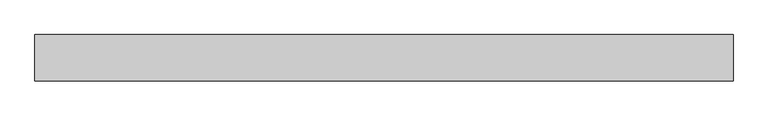
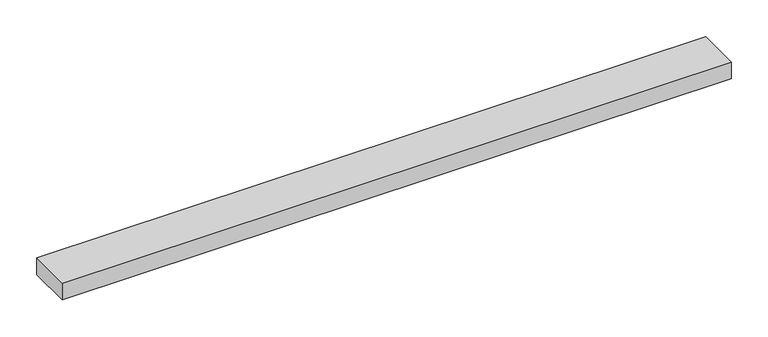
"""IFC4 building model written with IfcOpenShell, lengths in millimetres: beam geometry."""

from ifc_helpers import new_model, si_unit, frame, origin, place, context, project, spatial, polyline, outline, extrude, source, transform, mapped, element, save


def beam_38cbca24(model_context):
    return source(origin(), model_context, "Body", "SweptSolid", [
        extrude(outline(polyline([(527.2, -35.0), (-527.2, -35.0), (-527.2, 35.0), (527.2, 35.0), (527.2, -35.0)])), frame((0.0, 0.0, -14.0), z_axis=(0.0, 0.0, 1.0), x_axis=(1.0, 0.0, 0.0)), (0.0, 0.0, 1.0), 28.0),
    ])


if __name__ == "__main__":
    model = new_model("IFC4")
    model_context = context("Model", 3, world=origin())
    ifc_project = project(units=[si_unit("LENGTHUNIT", "METRE", prefix="MILLI")], contexts=[model_context])
    site = spatial("IfcSite", under=ifc_project)
    building = spatial("IfcBuilding", under=site)
    placement = place(None, origin())
    beam_shape = beam_38cbca24(model_context)
    element("IfcBeam", 1, at=placement, inside=building, context=model_context, shape_type="MappedRepresentation", body=[
        mapped(beam_shape, transform((0.0, 0.0, 0.0), x_axis=(1.0, 0.0, 0.0), y_axis=(0.0, 1.0, 0.0), z_axis=(0.0, 0.0, 1.0))),
    ])
    save(model, "model.ifc")
